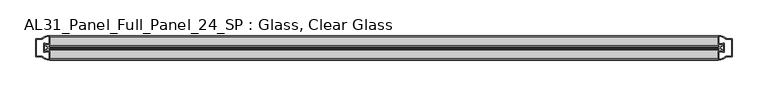
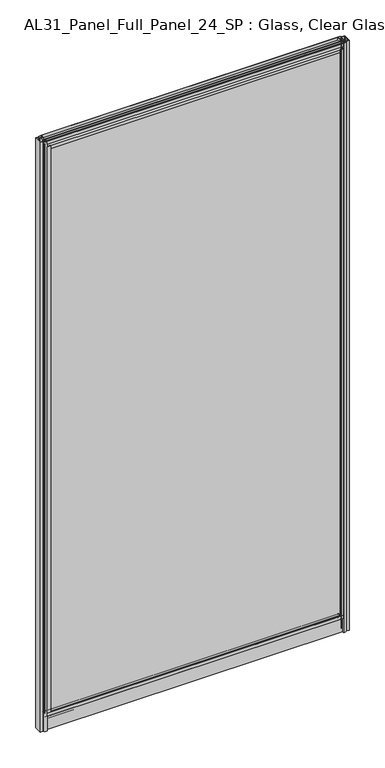
"""IFC4 building model written with IfcOpenShell, lengths in millimetres: plate geometry, AL31_Panel_Full_Panel_24_SP : Glass, Clear Glass."""

from ifc_helpers import new_model, si_unit, point, frame, frame_2d, origin, origin_with_axes, place, context, project, spatial, polyline, circle_curve, trimmed, segment, composite_curve, outline, extrude, source, transform, mapped, element, save


def al31_panel_full_panel_24_sp_glass_clear_glass_353f74bd(model_context):
    return source(origin(), model_context, "Body", "SweptSolid", [
        extrude(outline(composite_curve([segment(polyline([(-0.8778244, 46.2206013), (-1.4322398, 45.1563534)]), True, "CONTINUOUS"), segment(trimmed(circle_curve(frame_2d((0.0, 47.9056604)), 3.1), [point((-1.4322398, 45.1563534))], [point((-3.05, 47.3511336))], False, "CARTESIAN"), True, "CONTINUOUS"), segment(polyline([(-3.05, 47.3511336), (-3.05, 41.9), (-5.0, 41.9), (-5.0, 49.4), (-17.0, 49.4), (-17.0, 59.2), (-14.8, 59.2), (-14.8, 51.3), (14.8, 51.3), (14.8, 59.2), (17.0, 59.2), (17.0, 49.4), (5.0, 49.4), (5.0, 41.9), (3.05, 41.9), (3.05, 47.3511336)]), True, "CONTINUOUS"), segment(trimmed(circle_curve(frame_2d((0.0, 47.9056604)), 3.1), [point((3.05, 47.3511336))], [point((1.4322398, 45.1563534))], False, "CARTESIAN"), True, "CONTINUOUS"), segment(polyline([(1.4322398, 45.1563534), (0.8778244, 46.2206013)]), True, "CONTINUOUS"), segment(trimmed(circle_curve(frame_2d((0.0, 47.9056604)), 1.9), [point((0.8778244, 46.2206013))], [point((0.0, 49.8056604))], True, "CARTESIAN"), True, "CONTINUOUS"), segment(trimmed(circle_curve(frame_2d((0.0, 47.9056604)), 1.9), [point((0.0, 49.8056604))], [point((-0.8778244, 46.2206013))], True, "CARTESIAN"), True, "CONTINUOUS")], self_intersect=False)), frame((-468.7499495, 0.0, 0.0), z_axis=(1.0, 0.0, 0.0), x_axis=(0.0, 1.0, 0.0)), (0.0, 0.0, 1.0), 937.4998991),
        extrude(outline(composite_curve([segment(trimmed(circle_curve(frame_2d((-470.2442891, 0.0)), 1.9), [point((-471.9293482, -0.8778244))], [point((-468.3442891, 0.0))], True, "CARTESIAN"), True, "CONTINUOUS"), segment(trimmed(circle_curve(frame_2d((-470.2442891, 0.0)), 1.9), [point((-468.3442891, 0.0))], [point((-471.9293482, 0.8778244))], True, "CARTESIAN"), True, "CONTINUOUS"), segment(polyline([(-471.9293482, 0.8778244), (-472.9935961, 1.4322398)]), True, "CONTINUOUS"), segment(trimmed(circle_curve(frame_2d((-470.2442891, 0.0)), 3.1), [point((-472.9935961, 1.4322398))], [point((-470.7988159, 3.05))], False, "CARTESIAN"), True, "CONTINUOUS"), segment(polyline([(-470.7988159, 3.05), (-476.2499495, 3.05), (-476.2499495, 5.0), (-468.7499495, 5.0), (-468.7499495, 17.0), (-458.9499495, 17.0), (-458.9499495, 14.8), (-466.8499495, 14.8), (-466.8499495, -14.8), (-458.9499495, -14.8), (-458.9499495, -17.0), (-468.7499495, -17.0), (-468.7499495, -5.0), (-476.2499495, -5.0), (-476.2499495, -3.05), (-470.7988159, -3.05)]), True, "CONTINUOUS"), segment(trimmed(circle_curve(frame_2d((-470.2442891, 0.0)), 3.1), [point((-470.7988159, -3.05))], [point((-472.9935961, -1.4322398))], False, "CARTESIAN"), True, "CONTINUOUS"), segment(polyline([(-472.9935961, -1.4322398), (-471.9293482, -0.8778244)]), True, "CONTINUOUS")], self_intersect=False)), frame((0.0, 0.0, 49.4), z_axis=(0.0, 0.0, 1.0), x_axis=(1.0, 0.0, 0.0)), (0.0, 0.0, 1.0), 1906.6),
        extrude(outline(composite_curve([segment(polyline([(471.9293482, -0.8778244), (472.9935961, -1.4322398)]), True, "CONTINUOUS"), segment(trimmed(circle_curve(frame_2d((470.2442891, 0.0)), 3.1), [point((472.9935961, -1.4322398))], [point((470.7988159, -3.05))], False, "CARTESIAN"), True, "CONTINUOUS"), segment(polyline([(470.7988159, -3.05), (476.2499495, -3.05), (476.2499495, -5.0), (468.7499495, -5.0), (468.7499495, -17.0), (458.9499495, -17.0), (458.9499495, -14.8), (466.8499495, -14.8), (466.8499495, 14.8), (458.9499495, 14.8), (458.9499495, 17.0), (468.7499495, 17.0), (468.7499495, 5.0), (476.2499495, 5.0), (476.2499495, 3.05), (470.7988159, 3.05)]), True, "CONTINUOUS"), segment(trimmed(circle_curve(frame_2d((470.2442891, 0.0)), 3.1), [point((470.7988159, 3.05))], [point((472.9935961, 1.4322398))], False, "CARTESIAN"), True, "CONTINUOUS"), segment(polyline([(472.9935961, 1.4322398), (471.9293482, 0.8778244)]), True, "CONTINUOUS"), segment(trimmed(circle_curve(frame_2d((470.2442891, 0.0)), 1.9), [point((471.9293482, 0.8778244))], [point((468.3442891, 0.0))], True, "CARTESIAN"), True, "CONTINUOUS"), segment(trimmed(circle_curve(frame_2d((470.2442891, 0.0)), 1.9), [point((468.3442891, 0.0))], [point((471.9293482, -0.8778244))], True, "CARTESIAN"), True, "CONTINUOUS")], self_intersect=False)), frame((0.0, 0.0, 49.4), z_axis=(0.0, 0.0, 1.0), x_axis=(1.0, 0.0, 0.0)), (0.0, 0.0, 1.0), 1906.6),
        extrude(outline(composite_curve([segment(polyline([(0.8778244, 1959.1793987), (1.4322398, 1960.2436466)]), True, "CONTINUOUS"), segment(trimmed(circle_curve(frame_2d((0.0, 1957.4943396)), 3.1), [point((1.4322398, 1960.2436466))], [point((3.05, 1958.0488664))], False, "CARTESIAN"), True, "CONTINUOUS"), segment(polyline([(3.05, 1958.0488664), (3.05, 1963.5), (5.0, 1963.5), (5.0, 1956.0), (17.0, 1956.0), (17.0, 1946.2), (14.8, 1946.2), (14.8, 1954.1), (-14.8, 1954.1), (-14.8, 1946.2), (-17.0, 1946.2), (-17.0, 1956.0), (-5.0, 1956.0), (-5.0, 1963.5), (-3.05, 1963.5), (-3.05, 1958.0488664)]), True, "CONTINUOUS"), segment(trimmed(circle_curve(frame_2d((0.0, 1957.4943396)), 3.1), [point((-3.05, 1958.0488664))], [point((-1.4322398, 1960.2436466))], False, "CARTESIAN"), True, "CONTINUOUS"), segment(polyline([(-1.4322398, 1960.2436466), (-0.8778244, 1959.1793987)]), True, "CONTINUOUS"), segment(trimmed(circle_curve(frame_2d((0.0, 1957.4943396)), 1.9), [point((-0.8778244, 1959.1793987))], [point((0.0, 1955.5943396))], True, "CARTESIAN"), True, "CONTINUOUS"), segment(trimmed(circle_curve(frame_2d((0.0, 1957.4943396)), 1.9), [point((0.0, 1955.5943396))], [point((0.8778244, 1959.1793987))], True, "CARTESIAN"), True, "CONTINUOUS")], self_intersect=False)), frame((-468.7499495, 0.0, 0.0), z_axis=(1.0, 0.0, 0.0), x_axis=(0.0, 1.0, 0.0)), (0.0, 0.0, 1.0), 937.4998991),
        extrude(outline(composite_curve([segment(polyline([(-1.4, 1968.8980762), (-0.85, 1967.9454483)]), True, "CONTINUOUS"), segment(trimmed(circle_curve(frame_2d((0.1, 1966.3)), 1.9), [point((-0.85, 1967.9454483))], [point((1.05, 1967.9454483))], True, "CARTESIAN"), True, "CONTINUOUS"), segment(polyline([(1.05, 1967.9454483), (1.6, 1968.8980762)]), True, "CONTINUOUS"), segment(trimmed(circle_curve(frame_2d((0.1, 1966.3)), 3.0), [point((1.6, 1968.8980762))], [point((2.5718414, 1964.6))], False, "CARTESIAN"), True, "CONTINUOUS"), segment(polyline([(2.5718414, 1964.6), (15.7, 1964.6), (15.7, 1974.0), (17.0, 1974.0), (17.0, 1963.5), (6.7024688, 1963.5), (6.7024688, 1962.7), (6.1968782, 1960.7785039), (6.1968782, 1956.1), (5.0, 1956.1), (5.0, 1961.4339746), (5.5, 1962.3), (5.5, 1963.5), (-5.5, 1963.5), (-5.5, 1962.3), (-5.0, 1961.4339746), (-5.0, 1956.1), (-6.1968782, 1956.1), (-6.1968782, 1960.7785039), (-6.7024688, 1962.7), (-6.7024688, 1963.5), (-17.0, 1963.5), (-17.0, 1974.0), (-15.7, 1974.0), (-15.7, 1964.6), (-2.3718414, 1964.6)]), True, "CONTINUOUS"), segment(trimmed(circle_curve(frame_2d((0.1, 1966.3)), 3.0), [point((-2.3718414, 1964.6))], [point((-1.4, 1968.8980762))], False, "CARTESIAN"), True, "CONTINUOUS")], self_intersect=False)), frame((-468.7499495, 0.0, 0.0), z_axis=(1.0, 0.0, 0.0), x_axis=(0.0, 1.0, 0.0)), (0.0, 0.0, 1.0), 937.4998991),
        extrude(outline(composite_curve([segment(polyline([(-476.5913709, -5.9), (-475.3913709, -5.9), (-475.3913709, -5.0), (-468.7499495, -5.0), (-468.7499495, -17.0001453)]), True, "CONTINUOUS"), segment(trimmed(circle_curve(frame_2d((-468.3852979, 2.9965302)), 20.0), [point((-468.7499495, -17.0001453))], [point((-480.1057848, -13.2093388))], False, "CARTESIAN"), True, "CONTINUOUS"), segment(polyline([(-480.1057848, -13.2093388), (-480.1057848, -12.3279343), (-488.7499495, -12.3279343), (-488.7499495, 12.3720657), (-480.1057848, 12.3720657), (-480.1057848, 13.2095249)]), True, "CONTINUOUS"), segment(trimmed(circle_curve(frame_2d((-468.3852979, -2.9963441)), 20.0), [point((-480.1057848, 13.2095249))], [point((-468.7499495, 17.0003314))], False, "CARTESIAN"), True, "CONTINUOUS"), segment(polyline([(-468.7499495, 17.0003314), (-468.7499495, 5.0), (-475.3913709, 5.0), (-475.3913709, 5.9), (-476.5913709, 5.9), (-476.5913709, -5.9)]), True, "CONTINUOUS")], self_intersect=False), holes=[composite_curve([segment(trimmed(circle_curve(frame_2d((-475.5913709, 5.7)), 1.5), [point((-475.5913709, 7.2))], [point((-474.2361166, 6.3428731))], False, "CARTESIAN"), True, "CONTINUOUS"), segment(polyline([(-474.2361166, 6.3428731), (-470.4913709, 6.3428731), (-470.4913709, 10.939223), (-470.0520311, 11.9998832), (-470.0520311, 15.6499817)]), True, "CONTINUOUS"), segment(trimmed(circle_curve(frame_2d((-468.3852979, -2.9755921)), 18.7), [point((-470.0520311, 15.6499817))], [point((-478.3920757, 12.8216987))], True, "CARTESIAN"), True, "CONTINUOUS"), segment(trimmed(circle_curve(frame_2d((-480.1913709, 12.8720657)), 1.8), [point((-478.3920757, 12.8216987))], [point((-480.1913709, 11.0720657))], False, "CARTESIAN"), True, "CONTINUOUS"), segment(polyline([(-480.1913709, 11.0720657), (-487.3327922, 11.0720657), (-487.3327922, 6.5019606), (-486.8913709, 5.439223), (-486.8913709, -5.3950916), (-487.3913709, -6.3879987), (-487.3913709, -11.0279343), (-480.1913709, -11.0279343)]), True, "CONTINUOUS"), segment(trimmed(circle_curve(frame_2d((-480.1913709, -12.8279343)), 1.8), [point((-480.1913709, -11.0279343))], [point((-478.3920757, -12.7775673))], False, "CARTESIAN"), True, "CONTINUOUS"), segment(trimmed(circle_curve(frame_2d((-468.3852979, 3.0197235)), 18.7), [point((-478.3920757, -12.7775673))], [point((-470.0520311, -15.6058503))], True, "CARTESIAN"), True, "CONTINUOUS"), segment(polyline([(-470.0520311, -15.6058503), (-470.0520311, -11.9557518), (-470.4913709, -10.8950916), (-470.4913709, -6.2991308), (-474.2162192, -6.2991308)]), True, "CONTINUOUS"), segment(trimmed(circle_curve(frame_2d((-475.5913709, -5.7)), 1.5), [point((-474.2162192, -6.2991308))], [point((-475.5913709, -7.2))], False, "CARTESIAN"), True, "CONTINUOUS"), segment(polyline([(-475.5913709, -7.2), (-477.8913709, -7.2), (-477.8913709, 7.2), (-475.5913709, 7.2)]), True, "CONTINUOUS")], self_intersect=False)]), origin_with_axes(), (0.0, 0.0, 1.0), 1974.0),
        extrude(outline(composite_curve([segment(polyline([(476.5913709, 5.9), (475.3913709, 5.9), (475.3913709, 5.0), (468.7499495, 5.0), (468.7499495, 17.0001453)]), True, "CONTINUOUS"), segment(trimmed(circle_curve(frame_2d((468.3852979, -2.9965302)), 20.0), [point((468.7499495, 17.0001453))], [point((480.1057848, 13.2093388))], False, "CARTESIAN"), True, "CONTINUOUS"), segment(polyline([(480.1057848, 13.2093388), (480.1057848, 12.3279343), (488.7499495, 12.3279343), (488.7499495, -12.3720657), (480.1057848, -12.3720657), (480.1057848, -13.2095249)]), True, "CONTINUOUS"), segment(trimmed(circle_curve(frame_2d((468.3852979, 2.9963441)), 20.0), [point((480.1057848, -13.2095249))], [point((468.7499495, -17.0003314))], False, "CARTESIAN"), True, "CONTINUOUS"), segment(polyline([(468.7499495, -17.0003314), (468.7499495, -5.0), (475.3913709, -5.0), (475.3913709, -5.9), (476.5913709, -5.9), (476.5913709, 5.9)]), True, "CONTINUOUS")], self_intersect=False), holes=[composite_curve([segment(trimmed(circle_curve(frame_2d((475.5913709, -5.7)), 1.5), [point((475.5913709, -7.2))], [point((474.2361166, -6.3428731))], False, "CARTESIAN"), True, "CONTINUOUS"), segment(polyline([(474.2361166, -6.3428731), (470.4913709, -6.3428731), (470.4913709, -10.939223), (470.0520311, -11.9998832), (470.0520311, -15.6499817)]), True, "CONTINUOUS"), segment(trimmed(circle_curve(frame_2d((468.3852979, 2.9755921)), 18.7), [point((470.0520311, -15.6499817))], [point((478.3920757, -12.8216987))], True, "CARTESIAN"), True, "CONTINUOUS"), segment(trimmed(circle_curve(frame_2d((480.1913709, -12.8720657)), 1.8), [point((478.3920757, -12.8216987))], [point((480.1913709, -11.0720657))], False, "CARTESIAN"), True, "CONTINUOUS"), segment(polyline([(480.1913709, -11.0720657), (487.3327922, -11.0720657), (487.3327922, -6.5019606), (486.8913709, -5.439223), (486.8913709, 5.3950916), (487.3913709, 6.3879987), (487.3913709, 11.0279343), (480.1913709, 11.0279343)]), True, "CONTINUOUS"), segment(trimmed(circle_curve(frame_2d((480.1913709, 12.8279343)), 1.8), [point((480.1913709, 11.0279343))], [point((478.3920757, 12.7775673))], False, "CARTESIAN"), True, "CONTINUOUS"), segment(trimmed(circle_curve(frame_2d((468.3852979, -3.0197235)), 18.7), [point((478.3920757, 12.7775673))], [point((470.0520311, 15.6058503))], True, "CARTESIAN"), True, "CONTINUOUS"), segment(polyline([(470.0520311, 15.6058503), (470.0520311, 11.9557518), (470.4913709, 10.8950916), (470.4913709, 6.2991308), (474.2162192, 6.2991308)]), True, "CONTINUOUS"), segment(trimmed(circle_curve(frame_2d((475.5913709, 5.7)), 1.5), [point((474.2162192, 6.2991308))], [point((475.5913709, 7.2))], False, "CARTESIAN"), True, "CONTINUOUS"), segment(polyline([(475.5913709, 7.2), (477.8913709, 7.2), (477.8913709, -7.2), (475.5913709, -7.2)]), True, "CONTINUOUS")], self_intersect=False)]), origin_with_axes(), (0.0, 0.0, 1.0), 1974.0),
        extrude(outline(composite_curve([segment(trimmed(circle_curve(frame_2d((-8.4, 34.8)), 1.0), [point((-8.4, 35.8))], [point((-9.4, 34.8))], True, "CARTESIAN"), True, "CONTINUOUS"), segment(polyline([(-9.4, 34.8), (-9.4, 33.5), (-5.0000303, 33.5), (-5.0000303, 32.3), (-9.4, 32.3), (-9.4, 0.0), (-10.6, 0.0), (-10.6, 47.3)]), True, "CONTINUOUS"), segment(trimmed(circle_curve(frame_2d((-8.6, 47.3)), 2.0), [point((-10.6, 47.3))], [point((-8.6, 49.3))], False, "CARTESIAN"), True, "CONTINUOUS"), segment(polyline([(-8.6, 49.3), (-5.0, 49.3), (-5.0, 41.9), (5.0, 41.9), (5.0, 49.3), (8.6, 49.3)]), True, "CONTINUOUS"), segment(trimmed(circle_curve(frame_2d((8.6, 47.3)), 2.0), [point((8.6, 49.3))], [point((10.6, 47.3))], False, "CARTESIAN"), True, "CONTINUOUS"), segment(polyline([(10.6, 47.3), (10.6, 0.0), (9.4, 0.0), (9.4, 32.3), (4.9999697, 32.3), (4.9999697, 33.5), (9.4, 33.5), (9.4, 34.8)]), True, "CONTINUOUS"), segment(trimmed(circle_curve(frame_2d((8.4, 34.8)), 1.0), [point((9.4, 34.8))], [point((8.4, 35.8))], True, "CARTESIAN"), True, "CONTINUOUS"), segment(polyline([(8.4, 35.8), (-8.4, 35.8)]), True, "CONTINUOUS")], self_intersect=False), holes=[composite_curve([segment(trimmed(circle_curve(frame_2d((5.5024688, 41.8)), 1.0), [point((6.5024688, 41.8))], [point((5.5024688, 40.8))], False, "CARTESIAN"), True, "CONTINUOUS"), segment(polyline([(5.5024688, 40.8), (2.8008965, 40.8), (2.8008965, 39.7274194), (1.8370508, 39.7274194)]), True, "CONTINUOUS"), segment(trimmed(circle_curve(frame_2d((0.0, 38.7)), 2.1048387), [point((1.8370508, 39.7274194))], [point((-1.8370508, 39.7274194))], True, "CARTESIAN"), True, "CONTINUOUS"), segment(polyline([(-1.8370508, 39.7274194), (-2.8008965, 39.7274194), (-2.8008965, 40.8), (-5.5024688, 40.8)]), True, "CONTINUOUS"), segment(trimmed(circle_curve(frame_2d((-5.5024688, 41.8)), 1.0), [point((-5.5024688, 40.8))], [point((-6.5024688, 41.8))], False, "CARTESIAN"), True, "CONTINUOUS"), segment(polyline([(-6.5024688, 41.8), (-6.5024688, 42.7)]), True, "CONTINUOUS"), segment(trimmed(circle_curve(frame_2d((-5.3024688, 42.7)), 1.2), [point((-6.5024688, 42.7))], [point((-6.1198184, 43.5786009))], False, "CARTESIAN"), True, "CONTINUOUS"), segment(polyline([(-6.1198184, 43.5786009), (-6.1198184, 48.2), (-8.4, 48.2)]), True, "CONTINUOUS"), segment(trimmed(circle_curve(frame_2d((-8.4, 47.2)), 1.0), [point((-8.4, 48.2))], [point((-9.4, 47.2))], True, "CARTESIAN"), True, "CONTINUOUS"), segment(polyline([(-9.4, 47.2), (-9.4, 37.04), (-2.8008965, 37.04), (-2.8008965, 38.0725806), (-1.8370508, 38.0725806)]), True, "CONTINUOUS"), segment(trimmed(circle_curve(frame_2d((0.0, 39.1)), 2.1048387), [point((-1.8370508, 38.0725806))], [point((1.8370508, 38.0725806))], True, "CARTESIAN"), True, "CONTINUOUS"), segment(polyline([(1.8370508, 38.0725806), (2.8008965, 38.0725806), (2.8008965, 37.04), (9.4, 37.04), (9.4, 47.2)]), True, "CONTINUOUS"), segment(trimmed(circle_curve(frame_2d((8.4, 47.2)), 1.0), [point((9.4, 47.2))], [point((8.4, 48.2))], True, "CARTESIAN"), True, "CONTINUOUS"), segment(polyline([(8.4, 48.2), (6.1198184, 48.2), (6.1198184, 43.7786009)]), True, "CONTINUOUS"), segment(trimmed(circle_curve(frame_2d((5.3024688, 42.9)), 1.2), [point((6.1198184, 43.7786009))], [point((6.5024688, 42.9))], False, "CARTESIAN"), True, "CONTINUOUS"), segment(polyline([(6.5024688, 42.9), (6.5024688, 41.8)]), True, "CONTINUOUS")], self_intersect=False)]), frame((-468.7499495, 0.0, 0.0), z_axis=(1.0, 0.0, 0.0), x_axis=(0.0, 1.0, 0.0)), (0.0, 0.0, 1.0), 937.4998991),
        extrude(outline(polyline([(466.8499495, -8.0), (466.8499495, -12.0), (-466.8499495, -12.0), (-466.8499495, -8.0), (466.8499495, -8.0)])), frame((0.0, 0.0, 51.3), z_axis=(0.0, 0.0, 1.0), x_axis=(1.0, 0.0, 0.0)), (0.0, 0.0, 1.0), 1902.8),
        extrude(outline(polyline([(466.8499495, 12.0), (466.8499495, 8.0), (-466.8499495, 8.0), (-466.8499495, 12.0), (466.8499495, 12.0)])), frame((0.0, 0.0, 51.3), z_axis=(0.0, 0.0, 1.0), x_axis=(1.0, 0.0, 0.0)), (0.0, 0.0, 1.0), 1902.8),
        extrude(outline(polyline([(17.0, 59.2), (17.0, 49.4), (10.6, 49.4), (10.6, 0.0), (-10.6, 0.0), (-10.6, 49.4), (-17.0, 49.4), (-17.0, 59.2), (17.0, 59.2)])), frame((-468.7499495, 0.0, 0.0), z_axis=(1.0, 0.0, 0.0), x_axis=(0.0, 1.0, 0.0)), (0.0, 0.0, 1.0), 937.4998991),
    ])


if __name__ == "__main__":
    model = new_model("IFC4")
    model_context = context("Model", 3, world=origin())
    ifc_project = project(units=[si_unit("LENGTHUNIT", "METRE", prefix="MILLI")], contexts=[model_context])
    site = spatial("IfcSite", under=ifc_project)
    building = spatial("IfcBuilding", under=site)
    placement = place(None, origin())
    al31_panel_full_panel_24_sp_glass_clear_glass_shape = al31_panel_full_panel_24_sp_glass_clear_glass_353f74bd(model_context)
    element("IfcPlate", 1, ObjectType="AL31_Panel_Full_Panel_24_SP : Glass, Clear Glass", at=placement, inside=building, context=model_context, shape_type="MappedRepresentation", body=[
        mapped(al31_panel_full_panel_24_sp_glass_clear_glass_shape, transform((0.0, 0.0, 0.0), x_axis=(1.0, 0.0, 0.0), y_axis=(0.0, 1.0, 0.0), z_axis=(0.0, 0.0, 1.0))),
    ])
    save(model, "model.ifc")
